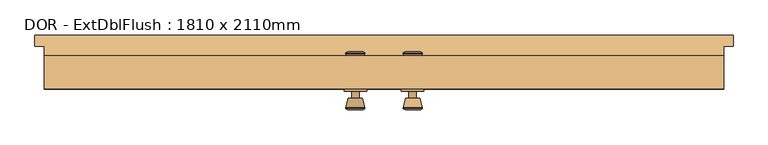
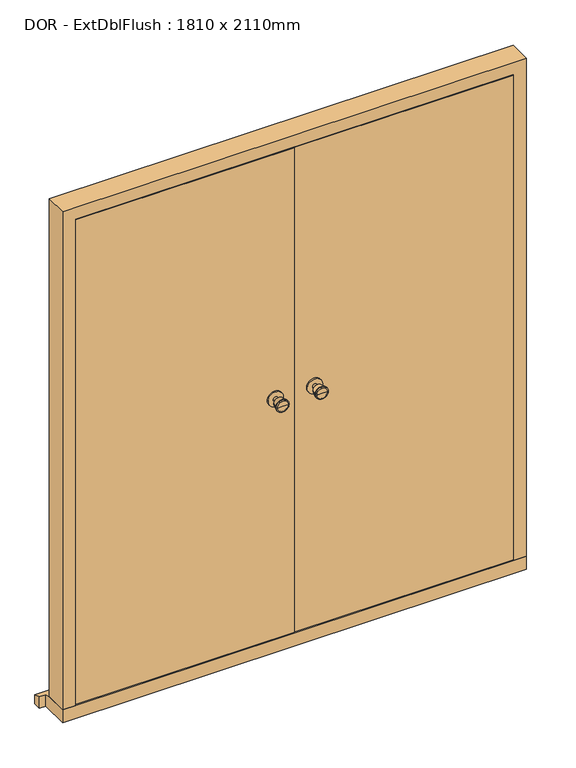
"""IFC4 building model written with IfcOpenShell, lengths in millimetres: door geometry, DOR - ExtDblFlush : 1810 x 2110mm."""

from ifc_helpers import new_model, si_unit, point, frame, frame_2d, origin, place, context, project, spatial, polyline, circle_curve, trimmed, segment, composite_curve, outline, extrude, faceted_brep, source, transform, mapped, element, save
from ifc_brep_helpers import plane_surface, cylinder_surface, revolved_surface, advanced_brep


def dor_extdblflush_1810_x_2110mm_aad5a11f(model_context):
    return source(origin(), model_context, "Body", "SolidModel", [
        advanced_brep(
        [(-76.5, 30.0, 1050.0), (-66.5, 30.0, 1050.0), (-86.5, 30.0, 1050.0), (-96.9758676, -19.0, 1050.0), (-56.0241324, -19.0, 1050.0), (-76.5, -19.0, 1050.0), (-101.5, -17.1721319, 1050.0), (-51.5, -17.1721319, 1050.0), (-101.5, -13.7084537, 1050.0), (-51.5, -13.7084537, 1050.0), (-95.136236, 11.0, 1050.0), (-57.863764, 11.0, 1050.0), (-86.5, 11.0, 1050.0), (-66.5, 11.0, 1050.0)],
        [
            (0, 1),
            (1, 2, circle_curve(frame((-76.5, 30.0, 1050.0), z_axis=(0.0, 1.0, 0.0), x_axis=(1.0, 0.0, 0.0)), 10.0)),
            (2, 0),
            (2, 1, circle_curve(frame((-76.5, 30.0, 1050.0), z_axis=(0.0, 1.0, 0.0), x_axis=(1.0, 0.0, 0.0)), 10.0)),
            (3, 4, circle_curve(frame((-76.5, -19.0, 1050.0), z_axis=(0.0, -1.0, 0.0), x_axis=(1.0, 0.0, 0.0)), 20.4758676)),
            (4, 5),
            (5, 3),
            (4, 3, circle_curve(frame((-76.5, -19.0, 1050.0), z_axis=(0.0, -1.0, 0.0), x_axis=(1.0, 0.0, 0.0)), 20.4758676)),
            (6, 7, circle_curve(frame((-76.5, -17.1721319, 1050.0), z_axis=(0.0, -1.0, 0.0), x_axis=(1.0, 0.0, 0.0)), 25.0)),
            (7, 4),
            (3, 6),
            (7, 6, circle_curve(frame((-76.5, -17.1721319, 1050.0), z_axis=(0.0, -1.0, 0.0), x_axis=(1.0, 0.0, 0.0)), 25.0)),
            (8, 9, circle_curve(frame((-76.5, -13.7084537, 1050.0), z_axis=(0.0, -1.0, 0.0), x_axis=(1.0, 0.0, 0.0)), 25.0)),
            (9, 7),
            (6, 8),
            (9, 8, circle_curve(frame((-76.5, -13.7084537, 1050.0), z_axis=(0.0, -1.0, 0.0), x_axis=(1.0, 0.0, 0.0)), 25.0)),
            (10, 11, circle_curve(frame((-76.5, 11.0, 1050.0), z_axis=(0.0, -1.0, 0.0), x_axis=(1.0, 0.0, 0.0)), 18.636236)),
            (11, 9),
            (8, 10),
            (11, 10, circle_curve(frame((-76.5, 11.0, 1050.0), z_axis=(0.0, -1.0, 0.0), x_axis=(1.0, 0.0, 0.0)), 18.636236)),
            (12, 13, circle_curve(frame((-76.5, 11.0, 1050.0), z_axis=(0.0, -1.0, 0.0), x_axis=(1.0, 0.0, 0.0)), 10.0)),
            (13, 11),
            (10, 12),
            (13, 12, circle_curve(frame((-76.5, 11.0, 1050.0), z_axis=(0.0, -1.0, 0.0), x_axis=(1.0, 0.0, 0.0)), 10.0)),
            (1, 13),
            (12, 2),
        ],
        [
            plane_surface(frame((-76.5, 30.0, 1050.0), z_axis=(0.0, 1.0, 0.0), x_axis=(1.0, 0.0, 0.0))),
            plane_surface(frame((-76.5, -19.0, 1050.0), z_axis=(0.0, -1.0, 0.0), x_axis=(1.0, 0.0, 0.0))),
            revolved_surface(polyline([(-56.0241324, -19.0, 1050.0), (-51.5, -17.1721319, 1050.0)]), (-76.5, 30.0, 1050.0), (0.0, 1.0, 0.0)),
            cylinder_surface(frame((-76.5, 30.0, 1050.0), z_axis=(0.0, 1.0, 0.0), x_axis=(1.0, 0.0, 0.0)), 25.0),
            revolved_surface(polyline([(-51.5, -13.7084537, 1050.0), (-57.863764, 11.0, 1050.0)]), (-76.5, 30.0, 1050.0), (0.0, 1.0, 0.0)),
            plane_surface(frame((-76.5, 11.0, 1050.0), z_axis=(0.0, 1.0, 0.0), x_axis=(1.0, 0.0, 0.0))),
            cylinder_surface(frame((-76.5, 30.0, 1050.0), z_axis=(0.0, 1.0, 0.0), x_axis=(1.0, 0.0, 0.0)), 10.0),
        ],
        [
            (0, [[1, 2, 3]]),
            (0, [[-3, 4, -1]]),
            (1, [[5, 6, 7]]),
            (1, [[8, -7, -6]]),
            (2, [[9, 10, -5, 11]]),
            (2, [[12, -11, -8, -10]]),
            (3, [[13, 14, -9, 15]]),
            (3, [[16, -15, -12, -14]]),
            (4, [[17, 18, -13, 19]]),
            (4, [[20, -19, -16, -18]]),
            (5, [[21, 22, -17, 23]]),
            (5, [[24, -23, -20, -22]]),
            (6, [[-2, 25, -21, 26]]),
            (6, [[-4, -26, -24, -25]]),
        ],
    ),
        extrude(outline(composite_curve([segment(trimmed(circle_curve(frame_2d((1050.0, -76.5)), 30.0), [point((1050.0, -46.5))], [point((1050.0, -106.5))], False, "CARTESIAN"), True, "CONTINUOUS"), segment(trimmed(circle_curve(frame_2d((1050.0, -76.5)), 30.0), [point((1050.0, -106.5))], [point((1050.0, -46.5))], False, "CARTESIAN"), True, "CONTINUOUS")], self_intersect=False)), frame((0.0, 30.0, 0.0), z_axis=(0.0, 1.0, 0.0), x_axis=(0.0, 0.0, 1.0)), (0.0, 0.0, 1.0), 6.0),
        advanced_brep(
        [(-76.5, 86.0, 1050.0), (-86.5, 86.0, 1050.0), (-66.5, 86.0, 1050.0), (-96.9758676, 135.0, 1050.0), (-76.5, 135.0, 1050.0), (-56.0241324, 135.0, 1050.0), (-101.5, 133.1721319, 1050.0), (-51.5, 133.1721319, 1050.0), (-101.5, 129.7084537, 1050.0), (-51.5, 129.7084537, 1050.0), (-95.136236, 105.0, 1050.0), (-57.863764, 105.0, 1050.0), (-86.5, 105.0, 1050.0), (-66.5, 105.0, 1050.0)],
        [
            (0, 1),
            (1, 2, circle_curve(frame((-76.5, 86.0, 1050.0), z_axis=(0.0, -1.0, 0.0), x_axis=(1.0, 0.0, 0.0)), 10.0)),
            (2, 0),
            (2, 1, circle_curve(frame((-76.5, 86.0, 1050.0), z_axis=(0.0, -1.0, 0.0), x_axis=(1.0, 0.0, 0.0)), 10.0)),
            (3, 4),
            (4, 5),
            (5, 3, circle_curve(frame((-76.5, 135.0, 1050.0), z_axis=(0.0, 1.0, 0.0), x_axis=(1.0, 0.0, 0.0)), 20.4758676)),
            (3, 5, circle_curve(frame((-76.5, 135.0, 1050.0), z_axis=(0.0, 1.0, 0.0), x_axis=(1.0, 0.0, 0.0)), 20.4758676)),
            (6, 3),
            (5, 7),
            (7, 6, circle_curve(frame((-76.5, 133.1721319, 1050.0), z_axis=(0.0, 1.0, 0.0), x_axis=(1.0, 0.0, 0.0)), 25.0)),
            (6, 7, circle_curve(frame((-76.5, 133.1721319, 1050.0), z_axis=(0.0, 1.0, 0.0), x_axis=(1.0, 0.0, 0.0)), 25.0)),
            (8, 6),
            (7, 9),
            (9, 8, circle_curve(frame((-76.5, 129.7084537, 1050.0), z_axis=(0.0, 1.0, 0.0), x_axis=(1.0, 0.0, 0.0)), 25.0)),
            (8, 9, circle_curve(frame((-76.5, 129.7084537, 1050.0), z_axis=(0.0, 1.0, 0.0), x_axis=(1.0, 0.0, 0.0)), 25.0)),
            (10, 8),
            (9, 11),
            (11, 10, circle_curve(frame((-76.5, 105.0, 1050.0), z_axis=(0.0, 1.0, 0.0), x_axis=(1.0, 0.0, 0.0)), 18.636236)),
            (10, 11, circle_curve(frame((-76.5, 105.0, 1050.0), z_axis=(0.0, 1.0, 0.0), x_axis=(1.0, 0.0, 0.0)), 18.636236)),
            (12, 10),
            (11, 13),
            (13, 12, circle_curve(frame((-76.5, 105.0, 1050.0), z_axis=(0.0, 1.0, 0.0), x_axis=(1.0, 0.0, 0.0)), 10.0)),
            (12, 13, circle_curve(frame((-76.5, 105.0, 1050.0), z_axis=(0.0, 1.0, 0.0), x_axis=(1.0, 0.0, 0.0)), 10.0)),
            (1, 12),
            (13, 2),
        ],
        [
            plane_surface(frame((-76.5, 86.0, 1050.0), z_axis=(0.0, -1.0, 0.0), x_axis=(1.0, 0.0, 0.0))),
            plane_surface(frame((-76.5, 135.0, 1050.0), z_axis=(0.0, 1.0, 0.0), x_axis=(1.0, 0.0, 0.0))),
            revolved_surface(polyline([(-56.0241324, 135.0, 1050.0), (-51.5, 133.1721319, 1050.0)]), (-76.5, 86.0, 1050.0), (0.0, -1.0, 0.0)),
            cylinder_surface(frame((-76.5, 86.0, 1050.0), z_axis=(0.0, -1.0, 0.0), x_axis=(1.0, 0.0, 0.0)), 25.0),
            revolved_surface(polyline([(-51.5, 129.7084537, 1050.0), (-57.863764, 105.0, 1050.0)]), (-76.5, 86.0, 1050.0), (0.0, -1.0, 0.0)),
            plane_surface(frame((-76.5, 105.0, 1050.0), z_axis=(0.0, -1.0, 0.0), x_axis=(1.0, 0.0, 0.0))),
            cylinder_surface(frame((-76.5, 86.0, 1050.0), z_axis=(0.0, -1.0, 0.0), x_axis=(1.0, 0.0, 0.0)), 10.0),
        ],
        [
            (0, [[1, 2, 3]]),
            (0, [[-3, 4, -1]]),
            (1, [[5, 6, 7]]),
            (1, [[-6, -5, 8]]),
            (2, [[9, -7, 10, 11]]),
            (2, [[-10, -8, -9, 12]]),
            (3, [[13, -11, 14, 15]]),
            (3, [[-14, -12, -13, 16]]),
            (4, [[17, -15, 18, 19]]),
            (4, [[-18, -16, -17, 20]]),
            (5, [[21, -19, 22, 23]]),
            (5, [[-22, -20, -21, 24]]),
            (6, [[25, -23, 26, -2]]),
            (6, [[-26, -24, -25, -4]]),
        ],
    ),
        extrude(outline(composite_curve([segment(trimmed(circle_curve(frame_2d((1050.0, -76.5)), 30.0), [point((1050.0, -46.5))], [point((1050.0, -106.5))], False, "CARTESIAN"), True, "CONTINUOUS"), segment(trimmed(circle_curve(frame_2d((1050.0, -76.5)), 30.0), [point((1050.0, -106.5))], [point((1050.0, -46.5))], False, "CARTESIAN"), True, "CONTINUOUS")], self_intersect=False)), frame((0.0, 80.0, 0.0), z_axis=(0.0, 1.0, 0.0), x_axis=(0.0, 0.0, 1.0)), (0.0, 0.0, 1.0), 6.0),
        advanced_brep(
        [(76.5, 30.0, 1050.0), (86.5, 30.0, 1050.0), (66.5, 30.0, 1050.0), (96.9758676, -19.0, 1050.0), (76.5, -19.0, 1050.0), (56.0241324, -19.0, 1050.0), (101.5, -17.1721319, 1050.0), (51.5, -17.1721319, 1050.0), (101.5, -13.7084537, 1050.0), (51.5, -13.7084537, 1050.0), (95.136236, 11.0, 1050.0), (57.863764, 11.0, 1050.0), (86.5, 11.0, 1050.0), (66.5, 11.0, 1050.0)],
        [
            (0, 1),
            (1, 2, circle_curve(frame((76.5, 30.0, 1050.0), z_axis=(0.0, 1.0, 0.0), x_axis=(-1.0, 0.0, 0.0)), 10.0)),
            (2, 0),
            (2, 1, circle_curve(frame((76.5, 30.0, 1050.0), z_axis=(0.0, 1.0, 0.0), x_axis=(-1.0, 0.0, 0.0)), 10.0)),
            (3, 4),
            (4, 5),
            (5, 3, circle_curve(frame((76.5, -19.0, 1050.0), z_axis=(0.0, -1.0, 0.0), x_axis=(-1.0, 0.0, 0.0)), 20.4758676)),
            (3, 5, circle_curve(frame((76.5, -19.0, 1050.0), z_axis=(0.0, -1.0, 0.0), x_axis=(-1.0, 0.0, 0.0)), 20.4758676)),
            (6, 3),
            (5, 7),
            (7, 6, circle_curve(frame((76.5, -17.1721319, 1050.0), z_axis=(0.0, -1.0, 0.0), x_axis=(-1.0, 0.0, 0.0)), 25.0)),
            (6, 7, circle_curve(frame((76.5, -17.1721319, 1050.0), z_axis=(0.0, -1.0, 0.0), x_axis=(-1.0, 0.0, 0.0)), 25.0)),
            (8, 6),
            (7, 9),
            (9, 8, circle_curve(frame((76.5, -13.7084537, 1050.0), z_axis=(0.0, -1.0, 0.0), x_axis=(-1.0, 0.0, 0.0)), 25.0)),
            (8, 9, circle_curve(frame((76.5, -13.7084537, 1050.0), z_axis=(0.0, -1.0, 0.0), x_axis=(-1.0, 0.0, 0.0)), 25.0)),
            (10, 8),
            (9, 11),
            (11, 10, circle_curve(frame((76.5, 11.0, 1050.0), z_axis=(0.0, -1.0, 0.0), x_axis=(-1.0, 0.0, 0.0)), 18.636236)),
            (10, 11, circle_curve(frame((76.5, 11.0, 1050.0), z_axis=(0.0, -1.0, 0.0), x_axis=(-1.0, 0.0, 0.0)), 18.636236)),
            (12, 10),
            (11, 13),
            (13, 12, circle_curve(frame((76.5, 11.0, 1050.0), z_axis=(0.0, -1.0, 0.0), x_axis=(-1.0, 0.0, 0.0)), 10.0)),
            (12, 13, circle_curve(frame((76.5, 11.0, 1050.0), z_axis=(0.0, -1.0, 0.0), x_axis=(-1.0, 0.0, 0.0)), 10.0)),
            (1, 12),
            (13, 2),
        ],
        [
            plane_surface(frame((76.5, 30.0, 1050.0), z_axis=(0.0, 1.0, 0.0), x_axis=(-1.0, 0.0, 0.0))),
            plane_surface(frame((76.5, -19.0, 1050.0), z_axis=(0.0, -1.0, 0.0), x_axis=(-1.0, 0.0, 0.0))),
            revolved_surface(polyline([(56.0241324, -19.0, 1050.0), (51.5, -17.1721319, 1050.0)]), (76.5, 30.0, 1050.0), (0.0, 1.0, 0.0)),
            cylinder_surface(frame((76.5, 30.0, 1050.0), z_axis=(0.0, 1.0, 0.0), x_axis=(-1.0, 0.0, 0.0)), 25.0),
            revolved_surface(polyline([(51.5, -13.7084537, 1050.0), (57.863764, 11.0, 1050.0)]), (76.5, 30.0, 1050.0), (0.0, 1.0, 0.0)),
            plane_surface(frame((76.5, 11.0, 1050.0), z_axis=(0.0, 1.0, 0.0), x_axis=(-1.0, 0.0, 0.0))),
            cylinder_surface(frame((76.5, 30.0, 1050.0), z_axis=(0.0, 1.0, 0.0), x_axis=(-1.0, 0.0, 0.0)), 10.0),
        ],
        [
            (0, [[1, 2, 3]]),
            (0, [[-3, 4, -1]]),
            (1, [[5, 6, 7]]),
            (1, [[-6, -5, 8]]),
            (2, [[9, -7, 10, 11]]),
            (2, [[-10, -8, -9, 12]]),
            (3, [[13, -11, 14, 15]]),
            (3, [[-14, -12, -13, 16]]),
            (4, [[17, -15, 18, 19]]),
            (4, [[-18, -16, -17, 20]]),
            (5, [[21, -19, 22, 23]]),
            (5, [[-22, -20, -21, 24]]),
            (6, [[25, -23, 26, -2]]),
            (6, [[-26, -24, -25, -4]]),
        ],
    ),
        extrude(outline(composite_curve([segment(trimmed(circle_curve(frame_2d((1050.0, 76.5)), 30.0), [point((1050.0, 46.5))], [point((1050.0, 106.5))], False, "CARTESIAN"), True, "CONTINUOUS"), segment(trimmed(circle_curve(frame_2d((1050.0, 76.5)), 30.0), [point((1050.0, 106.5))], [point((1050.0, 46.5))], False, "CARTESIAN"), True, "CONTINUOUS")], self_intersect=False)), frame((0.0, 30.0, 0.0), z_axis=(0.0, 1.0, 0.0), x_axis=(0.0, 0.0, 1.0)), (0.0, 0.0, 1.0), 6.0),
        advanced_brep(
        [(76.5, 86.0, 1050.0), (66.5, 86.0, 1050.0), (86.5, 86.0, 1050.0), (96.9758676, 135.0, 1050.0), (56.0241324, 135.0, 1050.0), (76.5, 135.0, 1050.0), (101.5, 133.1721319, 1050.0), (51.5, 133.1721319, 1050.0), (101.5, 129.7084537, 1050.0), (51.5, 129.7084537, 1050.0), (95.136236, 105.0, 1050.0), (57.863764, 105.0, 1050.0), (86.5, 105.0, 1050.0), (66.5, 105.0, 1050.0)],
        [
            (0, 1),
            (1, 2, circle_curve(frame((76.5, 86.0, 1050.0), z_axis=(0.0, -1.0, 0.0), x_axis=(-1.0, 0.0, 0.0)), 10.0)),
            (2, 0),
            (2, 1, circle_curve(frame((76.5, 86.0, 1050.0), z_axis=(0.0, -1.0, 0.0), x_axis=(-1.0, 0.0, 0.0)), 10.0)),
            (3, 4, circle_curve(frame((76.5, 135.0, 1050.0), z_axis=(0.0, 1.0, 0.0), x_axis=(-1.0, 0.0, 0.0)), 20.4758676)),
            (4, 5),
            (5, 3),
            (4, 3, circle_curve(frame((76.5, 135.0, 1050.0), z_axis=(0.0, 1.0, 0.0), x_axis=(-1.0, 0.0, 0.0)), 20.4758676)),
            (6, 7, circle_curve(frame((76.5, 133.1721319, 1050.0), z_axis=(0.0, 1.0, 0.0), x_axis=(-1.0, 0.0, 0.0)), 25.0)),
            (7, 4),
            (3, 6),
            (7, 6, circle_curve(frame((76.5, 133.1721319, 1050.0), z_axis=(0.0, 1.0, 0.0), x_axis=(-1.0, 0.0, 0.0)), 25.0)),
            (8, 9, circle_curve(frame((76.5, 129.7084537, 1050.0), z_axis=(0.0, 1.0, 0.0), x_axis=(-1.0, 0.0, 0.0)), 25.0)),
            (9, 7),
            (6, 8),
            (9, 8, circle_curve(frame((76.5, 129.7084537, 1050.0), z_axis=(0.0, 1.0, 0.0), x_axis=(-1.0, 0.0, 0.0)), 25.0)),
            (10, 11, circle_curve(frame((76.5, 105.0, 1050.0), z_axis=(0.0, 1.0, 0.0), x_axis=(-1.0, 0.0, 0.0)), 18.636236)),
            (11, 9),
            (8, 10),
            (11, 10, circle_curve(frame((76.5, 105.0, 1050.0), z_axis=(0.0, 1.0, 0.0), x_axis=(-1.0, 0.0, 0.0)), 18.636236)),
            (12, 13, circle_curve(frame((76.5, 105.0, 1050.0), z_axis=(0.0, 1.0, 0.0), x_axis=(-1.0, 0.0, 0.0)), 10.0)),
            (13, 11),
            (10, 12),
            (13, 12, circle_curve(frame((76.5, 105.0, 1050.0), z_axis=(0.0, 1.0, 0.0), x_axis=(-1.0, 0.0, 0.0)), 10.0)),
            (1, 13),
            (12, 2),
        ],
        [
            plane_surface(frame((76.5, 86.0, 1050.0), z_axis=(0.0, -1.0, 0.0), x_axis=(-1.0, 0.0, 0.0))),
            plane_surface(frame((76.5, 135.0, 1050.0), z_axis=(0.0, 1.0, 0.0), x_axis=(-1.0, 0.0, 0.0))),
            revolved_surface(polyline([(56.0241324, 135.0, 1050.0), (51.5, 133.1721319, 1050.0)]), (76.5, 86.0, 1050.0), (0.0, -1.0, 0.0)),
            cylinder_surface(frame((76.5, 86.0, 1050.0), z_axis=(0.0, -1.0, 0.0), x_axis=(-1.0, 0.0, 0.0)), 25.0),
            revolved_surface(polyline([(51.5, 129.7084537, 1050.0), (57.863764, 105.0, 1050.0)]), (76.5, 86.0, 1050.0), (0.0, -1.0, 0.0)),
            plane_surface(frame((76.5, 105.0, 1050.0), z_axis=(0.0, -1.0, 0.0), x_axis=(-1.0, 0.0, 0.0))),
            cylinder_surface(frame((76.5, 86.0, 1050.0), z_axis=(0.0, -1.0, 0.0), x_axis=(-1.0, 0.0, 0.0)), 10.0),
        ],
        [
            (0, [[1, 2, 3]]),
            (0, [[-3, 4, -1]]),
            (1, [[5, 6, 7]]),
            (1, [[8, -7, -6]]),
            (2, [[9, 10, -5, 11]]),
            (2, [[12, -11, -8, -10]]),
            (3, [[13, 14, -9, 15]]),
            (3, [[16, -15, -12, -14]]),
            (4, [[17, 18, -13, 19]]),
            (4, [[20, -19, -16, -18]]),
            (5, [[21, 22, -17, 23]]),
            (5, [[24, -23, -20, -22]]),
            (6, [[-2, 25, -21, 26]]),
            (6, [[-4, -26, -24, -25]]),
        ],
    ),
        extrude(outline(composite_curve([segment(trimmed(circle_curve(frame_2d((1050.0, 76.5)), 30.0), [point((1050.0, 46.5))], [point((1050.0, 106.5))], False, "CARTESIAN"), True, "CONTINUOUS"), segment(trimmed(circle_curve(frame_2d((1050.0, 76.5)), 30.0), [point((1050.0, 106.5))], [point((1050.0, 46.5))], False, "CARTESIAN"), True, "CONTINUOUS")], self_intersect=False)), frame((0.0, 80.0, 0.0), z_axis=(0.0, 1.0, 0.0), x_axis=(0.0, 0.0, 1.0)), (0.0, 0.0, 1.0), 6.0),
        faceted_brep([(834.5, 125.0, 54.5), (905.0, 125.0, 54.5), (905.0, 36.0, 54.5), (856.5, 36.0, 54.5), (856.5, 83.0, 54.5), (834.5, 83.0, 54.5), (834.5, 125.0, 2039.5), (-834.5, 125.0, 2039.5), (-834.5, 125.0, 54.5), (-905.0, 125.0, 54.5), (-905.0, 125.0, 2110.0), (905.0, 125.0, 2110.0), (905.0, 36.0, 2110.0), (-905.0, 36.0, 2110.0), (-905.0, 36.0, 54.5), (-856.5, 36.0, 54.5), (-856.5, 36.0, 2061.5), (856.5, 36.0, 2061.5), (856.5, 83.0, 2061.5), (-856.5, 83.0, 2061.5), (-856.5, 83.0, 54.5), (-834.5, 83.0, 54.5), (-834.5, 83.0, 2039.5), (834.5, 83.0, 2039.5)], [[[0, 1, 2, 3, 4, 5]], [[1, 0, 6, 7, 8, 9, 10, 11]], [[2, 1, 11, 12]], [[3, 2, 12, 13, 14, 15, 16, 17]], [[4, 3, 17, 18]], [[5, 4, 18, 19, 20, 21, 22, 23]], [[0, 5, 23, 6]], [[12, 11, 10, 13]], [[18, 17, 16, 19]], [[6, 23, 22, 7]], [[8, 21, 20, 15, 14, 9]], [[13, 10, 9, 14]], [[19, 16, 15, 20]], [[7, 22, 21, 8]]]),
        faceted_brep([(930.0, 180.0, 0.0), (930.0, 180.0, 38.5947221), (930.0, 150.0, 47.2703282), (930.0, 150.0, 0.0), (-930.0, 180.0, 38.5947221), (-930.0, 180.0, 0.0), (-930.0, 150.0, 0.0), (-930.0, 150.0, 47.2703282), (905.0, 150.0, 0.0), (905.0, 36.0, 0.0), (-905.0, 36.0, 0.0), (-905.0, 150.0, 0.0), (-905.0, 150.0, 47.2703282), (-905.0, 125.0, 54.5), (905.0, 125.0, 54.5), (905.0, 150.0, 47.2703282), (-905.0, 36.0, 54.5), (905.0, 36.0, 54.5)], [[[0, 1, 2, 3]], [[4, 5, 6, 7]], [[5, 0, 3, 8, 9, 10, 11, 6]], [[1, 0, 5, 4]], [[1, 4, 7, 12, 13, 14, 15, 2]], [[13, 16, 17, 14]], [[16, 10, 9, 17]], [[12, 11, 10, 16, 13]], [[11, 12, 7, 6]], [[8, 15, 14, 17, 9]], [[15, 8, 3, 2]]]),
        extrude(outline(polyline([(853.5, 36.0), (1.5, 36.0), (1.5, 80.0), (853.5, 80.0), (853.5, 36.0)])), frame((0.0, 0.0, 58.5), z_axis=(0.0, 0.0, 1.0), x_axis=(1.0, 0.0, 0.0)), (0.0, 0.0, 1.0), 2000.0),
        extrude(outline(polyline([(-1.5, 36.0), (-853.5, 36.0), (-853.5, 80.0), (-1.5, 80.0), (-1.5, 36.0)])), frame((0.0, 0.0, 58.5), z_axis=(0.0, 0.0, 1.0), x_axis=(1.0, 0.0, 0.0)), (0.0, 0.0, 1.0), 2000.0),
    ])


if __name__ == "__main__":
    model = new_model("IFC4")
    model_context = context("Model", 3, world=origin())
    ifc_project = project(units=[si_unit("LENGTHUNIT", "METRE", prefix="MILLI")], contexts=[model_context])
    site = spatial("IfcSite", under=ifc_project)
    building = spatial("IfcBuilding", under=site)
    placement = place(None, origin())
    dor_extdblflush_1810_x_2110mm_shape = dor_extdblflush_1810_x_2110mm_aad5a11f(model_context)
    element("IfcDoor", 1, ObjectType="DOR - ExtDblFlush : 1810 x 2110mm", at=placement, inside=building, context=model_context, shape_type="MappedRepresentation", body=[
        mapped(dor_extdblflush_1810_x_2110mm_shape, transform((0.0, 0.0, 0.0), x_axis=(1.0, 0.0, 0.0), y_axis=(0.0, 1.0, 0.0), z_axis=(0.0, 0.0, 1.0))),
    ])
    save(model, "model.ifc")
